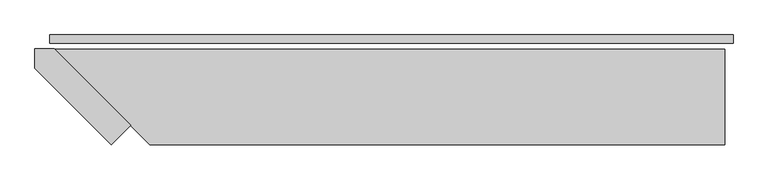
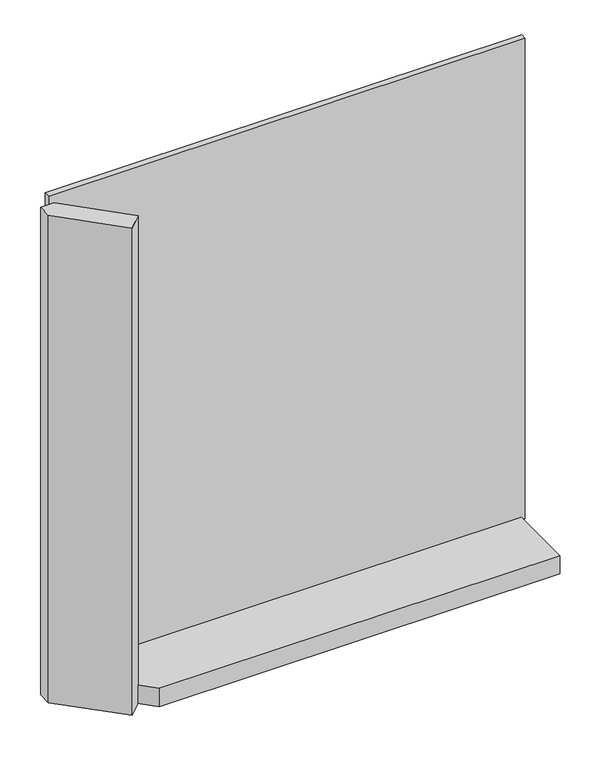
"""IFC4 building model written with IfcOpenShell, lengths in millimetres: plate geometry."""

import ifcopenshell
import ifcopenshell.guid

model = None  # the IFC model being written
_history = None  # IfcOwnerHistory: only IFC2X3 demands one
_inside = {}  # id of a spatial element -> (the spatial element, [elements in it])
_under = {}  # id of a project, library or spatial element -> (it, [spatial elements below it])
_declared = {}  # id of a project -> (the project, [libraries it declares])
_typed = {}  # id of a type object -> (the type object, [elements of that type])
_made_of = {}  # id of a material, layer set ... -> (it, [elements and type objects made of it])


def new_model(schema):
    """Start an empty IFC model of exactly this schema.

    Asked for "IFC4X3", IfcOpenShell would pick the latest addendum, in which some entities
    have other attributes; the version numbers below select the first issue.
    IFC2X3 requires an IfcOwnerHistory on every rooted entity: one is made here for all.
    """
    global model, _history
    if schema == "IFC4X3":
        model = ifcopenshell.file(schema_version=(4, 3, 0, 0))
    else:
        model = ifcopenshell.file(schema=schema)
    _inside.clear()
    _under.clear()
    _declared.clear()
    _typed.clear()
    _made_of.clear()
    _history = None
    if model.schema == "IFC2X3":
        org = make("IfcOrganization", Name="unknown")
        user = make(
            "IfcPersonAndOrganization",
            ThePerson=make("IfcPerson", FamilyName="unknown"),
            TheOrganization=org,
        )
        app = make(
            "IfcApplication",
            ApplicationDeveloper=org,
            Version="unknown",
            ApplicationFullName="unknown",
            ApplicationIdentifier="unknown",
        )
        _history = make(
            "IfcOwnerHistory",
            OwningUser=user,
            OwningApplication=app,
            ChangeAction="ADDED",
            CreationDate=0,
        )
    return model


def make(cls, **values):
    """One entity of the class cls with the attributes given. An attribute that is None is left unset."""
    return model.create_entity(
        cls, **{name: value for name, value in values.items() if value is not None}
    )


def rooted(cls, **values):
    """An entity with a GlobalId (a new one), such as an element, a storey or a relation."""
    return make(cls, GlobalId=ifcopenshell.guid.new(), OwnerHistory=_history, **values)


def si_unit(unit_type, name, prefix=None):
    """IfcSIUnit, for example si_unit("LENGTHUNIT", "METRE", prefix="MILLI")."""
    return make("IfcSIUnit", UnitType=unit_type, Prefix=prefix, Name=name)


def assignment(units):
    """IfcUnitAssignment: the units of a project."""
    return None if units is None else make("IfcUnitAssignment", Units=units)


def point(xyz):
    """IfcCartesianPoint."""
    return None if xyz is None else make("IfcCartesianPoint", Coordinates=xyz)


def direction(xyz):
    """IfcDirection."""
    return None if xyz is None else make("IfcDirection", DirectionRatios=xyz)


def frame(location, z_axis=None, x_axis=None):
    """IfcAxis2Placement3D, a coordinate frame: its origin and axes. An axis left out is left unset."""
    return make(
        "IfcAxis2Placement3D",
        Location=point(location),
        Axis=direction(z_axis),
        RefDirection=direction(x_axis),
    )


def origin():
    """The frame at (0, 0, 0) with its axes left unset."""
    return frame((0.0, 0.0, 0.0))


def origin_with_axes():
    """The frame at (0, 0, 0) with the z axis (0, 0, 1) and the x axis (1, 0, 0) written out."""
    return frame((0.0, 0.0, 0.0), z_axis=(0.0, 0.0, 1.0), x_axis=(1.0, 0.0, 0.0))


def place(relative_to, where):
    """IfcLocalPlacement: puts the frame where relative to a parent placement (None: the world)."""
    return make(
        "IfcLocalPlacement", PlacementRelTo=relative_to, RelativePlacement=where
    )


def context(
    kind, dimensions, precision=None, world=None, true_north=None, identifier=None
):
    """IfcGeometricRepresentationContext, for example the 3D "Model" context."""
    return make(
        "IfcGeometricRepresentationContext",
        ContextIdentifier=identifier,
        ContextType=kind,
        CoordinateSpaceDimension=dimensions,
        Precision=precision,
        WorldCoordinateSystem=world,
        TrueNorth=true_north,
    )


def project(units=None, contexts=None):
    """IfcProject with its units and contexts."""
    return rooted(
        "IfcProject",
        Name="project",
        RepresentationContexts=contexts,
        UnitsInContext=assignment(units),
    )


def spatial(cls, under=None, at=None, **own):
    """A site, building, storey or space (cls), placed at a placement, below another one or the project."""
    s = rooted(cls, ObjectPlacement=at, **own)
    if under is not None:
        _under.setdefault(under.id(), (under, []))[1].append(s)
    return s


def polyline(points):
    """IfcPolyline through the points."""
    return make("IfcPolyline", Points=[point(p) for p in points])


def outline(outer, holes=None, kind="AREA"):
    """IfcArbitraryClosedProfileDef: a profile drawn as a closed curve; with holes, ...WithVoids."""
    if holes is None:
        return make("IfcArbitraryClosedProfileDef", ProfileType=kind, OuterCurve=outer)
    return make(
        "IfcArbitraryProfileDefWithVoids",
        ProfileType=kind,
        OuterCurve=outer,
        InnerCurves=holes,
    )


def extrude(swept, where, along, depth):
    """IfcExtrudedAreaSolid: the profile swept, set in the frame where, extruded along a direction by depth."""
    return make(
        "IfcExtrudedAreaSolid",
        SweptArea=swept,
        Position=where,
        ExtrudedDirection=direction(along),
        Depth=depth,
    )


def shape(context_of_items, identifier, shape_type, items):
    """IfcShapeRepresentation: the items that make up one representation, for example the "Body"."""
    return make(
        "IfcShapeRepresentation",
        ContextOfItems=context_of_items,
        RepresentationIdentifier=identifier,
        RepresentationType=shape_type,
        Items=items,
    )


def source(mapping_origin, context_of_items, identifier, shape_type, items):
    """IfcRepresentationMap: a shape defined once, which mapped items show again and again."""
    return make(
        "IfcRepresentationMap",
        MappingOrigin=mapping_origin,
        MappedRepresentation=shape(context_of_items, identifier, shape_type, items),
    )


def transform(
    local_origin,
    x_axis=None,
    y_axis=None,
    z_axis=None,
    scale=None,
    scale2=None,
    scale3=None,
    uniform=True,
):
    """IfcCartesianTransformationOperator3D, or its non-uniform kind. x_axis, y_axis, z_axis: its Axis1, 2, 3."""
    if uniform:
        return make(
            "IfcCartesianTransformationOperator3D",
            Axis1=direction(x_axis),
            Axis2=direction(y_axis),
            LocalOrigin=point(local_origin),
            Scale=scale,
            Axis3=direction(z_axis),
        )
    return make(
        "IfcCartesianTransformationOperator3DnonUniform",
        Axis1=direction(x_axis),
        Axis2=direction(y_axis),
        LocalOrigin=point(local_origin),
        Scale=scale,
        Axis3=direction(z_axis),
        Scale2=scale2,
        Scale3=scale3,
    )


def mapped(mapping_source, mapping_target):
    """IfcMappedItem: shows the shape of a source again, moved by a transform."""
    return make(
        "IfcMappedItem", MappingSource=mapping_source, MappingTarget=mapping_target
    )


def made_of(thing, what):
    """Note that an element or type object is made of a material, layer set ...; save() writes the relation."""
    if what is not None:
        _made_of.setdefault(what.id(), (what, []))[1].append(thing)
    return thing


def element(
    cls,
    number,
    at=None,
    inside=None,
    cuts=None,
    type_object=None,
    material=None,
    context=None,
    identifier="Body",
    shape_type=None,
    held_by="IfcProductDefinitionShape",
    body=None,
    shapes=None,
    **own,
):
    """One element of the class cls, such as IfcWall. Its Tag is "e" and its number.

    at: its placement. inside: the storey or other place that contains it. cuts: it is an
    opening in that element (IfcRelVoidsElement). A single representation is given by context,
    identifier, shape_type and body (its items); several are given by shapes. held_by: the class
    of the entity that holds the representations. save() writes the other relations.
    """
    e = rooted(cls, Tag="e%d" % number, ObjectPlacement=at, **own)
    if body is not None:
        shapes = [shape(context, identifier, shape_type, body)]
    if shapes is not None:
        e.Representation = make(held_by, Representations=shapes)
    if inside is not None:
        _inside.setdefault(inside.id(), (inside, []))[1].append(e)
    if cuts is not None:
        rooted(
            "IfcRelVoidsElement", RelatingBuildingElement=cuts, RelatedOpeningElement=e
        )
    if type_object is not None:
        _typed.setdefault(type_object.id(), (type_object, []))[1].append(e)
    return made_of(e, material)


def aggregate(whole, parts):
    """IfcRelAggregates: a whole, such as a stair, and the parts it consists of."""
    return rooted("IfcRelAggregates", RelatingObject=whole, RelatedObjects=parts)


def save(model, path):
    """Write the relations noted so far, then the file.

    IfcRelAggregates (storeys below a building ...), IfcRelContainedInSpatialStructure (elements
    in a storey), IfcRelDefinesByType, IfcRelAssociatesMaterial and IfcRelDeclares: one each for
    every whole, place, type object, material and project.
    """
    for whole, parts in _under.values():
        aggregate(whole, parts)
    for where, things in _inside.values():
        rooted(
            "IfcRelContainedInSpatialStructure",
            RelatedElements=things,
            RelatingStructure=where,
        )
    for kind, things in _typed.values():
        rooted("IfcRelDefinesByType", RelatedObjects=things, RelatingType=kind)
    for what, things in _made_of.values():
        rooted("IfcRelAssociatesMaterial", RelatedObjects=things, RelatingMaterial=what)
    for by, libraries in _declared.values():
        rooted("IfcRelDeclares", RelatingContext=by, RelatedDefinitions=libraries)
    model.write(path)


def plate_b8ea197b(model_context):
    return source(origin(), model_context, "Body", "SweptSolid", [
        extrude(outline(polyline([(1000.5, 0.0), (1000.5, -25.0), (-1000.5, -25.0), (-1000.5, 0.0), (1000.5, 0.0)])), origin_with_axes(), (0.0, 0.0, 1.0), 2132.0),
        extrude(outline(polyline([(-763.5, -264.4314575), (-820.0685425, -321.0), (-1043.5, -97.5685425), (-1043.5, -41.0), (-986.9314575, -41.0), (-763.5, -264.4314575)])), frame((0.0, 0.0, -55.0), z_axis=(0.0, 0.0, 1.0), x_axis=(1.0, 0.0, 0.0)), (0.0, 0.0, 1.0), 2162.0),
        extrude(outline(polyline([(975.5, -321.0), (-706.9314575, -321.0), (-986.9314575, -41.0), (975.5, -41.0), (975.5, -321.0)])), frame((0.0, 0.0, -55.0), z_axis=(0.0, 0.0, 1.0), x_axis=(1.0, 0.0, 0.0)), (0.0, 0.0, 1.0), 80.0),
    ])


if __name__ == "__main__":
    model = new_model("IFC4")
    model_context = context("Model", 3, world=origin())
    ifc_project = project(units=[si_unit("LENGTHUNIT", "METRE", prefix="MILLI")], contexts=[model_context])
    site = spatial("IfcSite", under=ifc_project)
    building = spatial("IfcBuilding", under=site)
    placement = place(None, origin())
    plate_shape = plate_b8ea197b(model_context)
    element("IfcPlate", 1, at=placement, inside=building, context=model_context, shape_type="MappedRepresentation", body=[
        mapped(plate_shape, transform((0.0, 0.0, 0.0), x_axis=(1.0, 0.0, 0.0), y_axis=(0.0, 1.0, 0.0), z_axis=(0.0, 0.0, 1.0))),
    ])
    save(model, "model.ifc")
